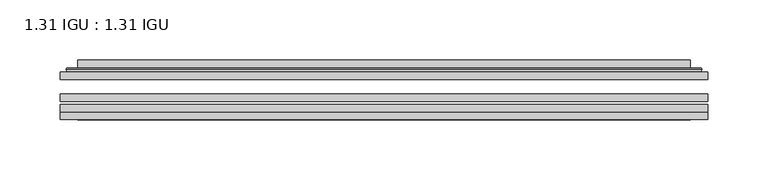
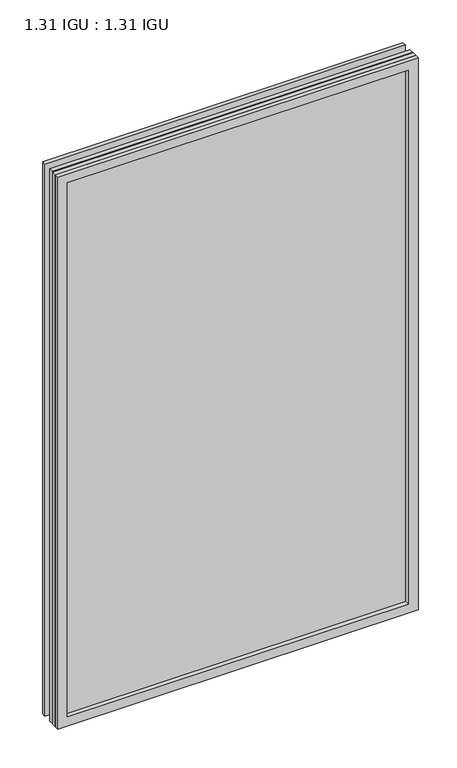
"""IFC4 building model written with IfcOpenShell, lengths in millimetres: plate geometry, 1.31 IGU : 1.31 IGU."""

from ifc_helpers import new_model, si_unit, frame, origin, place, context, project, spatial, polyline, ellipse_curve, outline, extrude, faceted_brep, source, transform, mapped, element, save
from ifc_brep_helpers import plane_surface, cylinder_surface, advanced_brep


def plate_1_31_igu_1_31_igu_472bede1(model_context):
    return source(origin(), model_context, "Body", "SolidModel", [
        extrude(outline(polyline([(268.3778685, -63.2975937), (268.3778685, -69.6475938), (-268.3636935, -69.6475938), (-268.3636935, -63.2975937), (268.3778685, -63.2975937)])), frame((0.0, 0.0, -14.2875), z_axis=(0.0, 0.0, 1.0), x_axis=(1.0, 0.0, 0.0)), (0.0, 0.0, 1.0), 869.9537979),
        extrude(outline(polyline([(-268.3636935, -78.2835938), (-268.3636935, -71.9330887), (268.3778685, -71.9330887), (268.3778685, -78.2835938), (-268.3636935, -78.2835938)])), frame((0.0, 0.0, -14.2875), z_axis=(0.0, 0.0, 1.0), x_axis=(1.0, 0.0, 0.0)), (0.0, 0.0, 1.0), 869.9537979),
        extrude(outline(polyline([(268.3778685, -44.9587937), (268.3778685, -51.3087938), (-268.3636935, -51.3087938), (-268.3636935, -44.9587937), (268.3778685, -44.9587937)])), frame((0.0, 0.0, -14.2875), z_axis=(0.0, 0.0, 1.0), x_axis=(1.0, 0.0, 0.0)), (0.0, 0.0, 1.0), 869.9537979),
        faceted_brep([(-268.3763935, -84.6335937, 855.6752), (-268.3763935, -78.2835937, 855.6752), (-268.3763935, -78.2835937, -14.3002), (-268.3763935, -84.6335937, -14.3002), (268.3763935, -78.2835937, -14.3002), (268.3763935, -84.6335937, -14.3002), (268.3763935, -78.2835937, 855.6752), (268.3763935, -84.6335937, 855.6752), (-253.1784494, -78.2835937, 0.8977441), (253.1784494, -78.2835937, 0.8977441), (253.1784494, -78.2835937, 840.4772559), (-253.1784494, -78.2835937, 840.4772559), (-254.0708837, -84.6335937, 841.3696902), (254.0708837, -84.6335937, 841.3696902), (254.0708837, -84.6335937, 0.0053098), (-254.0708837, -84.6335937, 0.0053098)], [[[0, 1, 2, 3]], [[3, 2, 4, 5]], [[5, 4, 6, 7]], [[1, 6, 4, 2], [8, 9, 10, 11]], [[7, 6, 1, 0]], [[3, 5, 7, 0], [12, 13, 14, 15]], [[11, 12, 15, 8]], [[8, 15, 14, 9]], [[9, 14, 13, 10]], [[10, 13, 12, 11]]]),
        advanced_brep(
        [(-261.1224125, -44.9587937, 848.421219), (-263.4766179, -42.9691271, 850.7754244), (-263.4766179, -42.9691271, -9.4004244), (-261.1224125, -44.9587937, -7.046219), (-252.0480874, -41.1187568, 839.3468939), (-247.1132556, -44.9587937, 834.4120621), (-247.1132556, -44.9587937, 6.9629379), (-252.0480874, -41.1187568, 2.0281061), (-253.0801152, -35.7215256, 840.3789217), (-253.0801152, -35.7215256, 0.9960783), (-254.0707719, -35.3225507, 841.3695784), (-254.0707719, -35.3225507, 0.0054216), (-254.0707719, -41.7837937, 841.3695784), (-254.0707719, -41.7837937, 0.0054216), (-262.4748284, -41.7837937, 849.7736349), (-262.4748284, -41.7837937, -8.3986349), (263.4766179, -42.9691271, -9.4004244), (261.1224125, -44.9587937, -7.046219), (247.1132556, -44.9587937, 6.9629379), (252.0480874, -41.1187568, 2.0281061), (253.0801152, -35.7215256, 0.9960783), (254.0707719, -35.3225507, 0.0054216), (254.0707719, -41.7837937, 0.0054216), (262.4748284, -41.7837937, -8.3986349), (263.4766179, -42.9691271, 850.7754244), (261.1224125, -44.9587937, 848.421219), (247.1132556, -44.9587937, 834.4120621), (252.0480874, -41.1187568, 839.3468939), (253.0801152, -35.7215256, 840.3789217), (254.0707719, -35.3225507, 841.3695784), (254.0707719, -41.7837937, 841.3695784), (262.4748284, -41.7837937, 849.7736349)],
        [
            (0, 1, ellipse_curve(frame((-261.1224125, -42.5711937, 848.421219), z_axis=(-0.7071067811865475, 0.0, -0.7071067811865475), x_axis=(-0.7071067811865474, 0.0, 0.7071067811865476)), 3.3765763, 2.3876)),
            (1, 2),
            (2, 3, ellipse_curve(frame((-261.1224125, -42.5711937, -7.046219), z_axis=(-0.7071067811865475, 0.0, 0.7071067811865475), x_axis=(0.7071067811865474, 0.0, 0.7071067811865476)), 3.3765763, 2.3876)),
            (3, 0),
            (4, 5),
            (5, 6),
            (6, 7),
            (7, 4),
            (8, 4),
            (7, 9),
            (9, 8),
            (10, 8, ellipse_curve(frame((-253.7038154, -35.840786, 841.0026219), z_axis=(-0.7071067811865475, 0.0, -0.7071067811865475), x_axis=(-0.7071067811865474, 0.0, 0.7071067811865476)), 0.8980256, 0.635)),
            (9, 11, ellipse_curve(frame((-253.7038154, -35.840786, 0.3723781), z_axis=(-0.7071067811865475, 0.0, 0.7071067811865475), x_axis=(0.7071067811865474, 0.0, 0.7071067811865476)), 0.8980256, 0.635)),
            (11, 10),
            (12, 10),
            (11, 13),
            (13, 12),
            (1, 14, ellipse_curve(frame((-262.4748284, -42.7997937, 849.7736349), z_axis=(-0.7071067811865475, 0.0, -0.7071067811865475), x_axis=(-0.7071067811865474, 0.0, 0.7071067811865476)), 1.436841, 1.016)),
            (14, 15),
            (15, 2, ellipse_curve(frame((-262.4748284, -42.7997937, -8.3986349), z_axis=(-0.7071067811865475, 0.0, 0.7071067811865475), x_axis=(0.7071067811865474, 0.0, 0.7071067811865476)), 1.436841, 1.016)),
            (2, 16),
            (16, 17, ellipse_curve(frame((261.1224125, -42.5711937, -7.046219), z_axis=(-0.7071067811865475, 0.0, -0.7071067811865475), x_axis=(-0.7071067811865476, 0.0, 0.7071067811865474)), 3.3765763, 2.3876)),
            (17, 3),
            (6, 18),
            (18, 19),
            (19, 7),
            (19, 20),
            (20, 9),
            (20, 21, ellipse_curve(frame((253.7038154, -35.840786, 0.3723781), z_axis=(-0.7071067811865475, 0.0, -0.7071067811865475), x_axis=(-0.7071067811865476, 0.0, 0.7071067811865474)), 0.8980256, 0.635)),
            (21, 11),
            (21, 22),
            (22, 13),
            (15, 23),
            (23, 16, ellipse_curve(frame((262.4748284, -42.7997937, -8.3986349), z_axis=(-0.7071067811865475, 0.0, -0.7071067811865475), x_axis=(-0.7071067811865476, 0.0, 0.7071067811865474)), 1.436841, 1.016)),
            (16, 24),
            (24, 25, ellipse_curve(frame((261.1224125, -42.5711937, 848.421219), z_axis=(0.7071067811865475, 0.0, -0.7071067811865475), x_axis=(-0.7071067811865474, 0.0, -0.7071067811865476)), 3.3765763, 2.3876)),
            (25, 17),
            (18, 26),
            (26, 27),
            (27, 19),
            (27, 28),
            (28, 20),
            (28, 29, ellipse_curve(frame((253.7038154, -35.840786, 841.0026219), z_axis=(0.7071067811865475, 0.0, -0.7071067811865475), x_axis=(-0.7071067811865474, 0.0, -0.7071067811865476)), 0.8980256, 0.635)),
            (29, 21),
            (29, 30),
            (30, 22),
            (23, 31),
            (31, 24, ellipse_curve(frame((262.4748284, -42.7997937, 849.7736349), z_axis=(0.7071067811865475, 0.0, -0.7071067811865475), x_axis=(-0.7071067811865474, 0.0, -0.7071067811865476)), 1.436841, 1.016)),
            (24, 1),
            (0, 25),
            (5, 26),
            (4, 27),
            (8, 28),
            (10, 29),
            (12, 30),
            (14, 31),
        ],
        [
            cylinder_surface(frame((-261.1224125, -42.5711937, 873.125), z_axis=(0.0, 0.0, 1.0), x_axis=(-1.0, 0.0, 0.0)), 2.3876),
            plane_surface(frame((-247.1132556, -44.9587937, 834.4120621), z_axis=(0.6141233906514794, 0.7892100234124821, 0.0), x_axis=(0.0, 0.0, -1.0))),
            plane_surface(frame((-252.0480874, -41.1187568, 839.3468939), z_axis=(0.9822050625507729, 0.1878116479338607, 0.0), x_axis=(0.0, 0.0, -1.0))),
            cylinder_surface(frame((-253.7038154, -35.840786, 873.125), z_axis=(0.0, 0.0, 1.0), x_axis=(-1.0, 0.0, 0.0)), 0.635),
            plane_surface(frame((-254.0707719, -35.3225507, 841.3695784), z_axis=(-1.0, 0.0, 0.0), x_axis=(0.0, 0.0, -1.0))),
            cylinder_surface(frame((-262.4748284, -42.7997937, 873.125), z_axis=(0.0, 0.0, 1.0), x_axis=(-1.0, 0.0, 0.0)), 1.016),
            cylinder_surface(frame((-285.8261935, -42.5711937, -7.046219), z_axis=(-1.0, 0.0, 0.0), x_axis=(0.0, 0.0, -1.0)), 2.3876),
            plane_surface(frame((-247.1132556, -44.9587937, 6.9629379), z_axis=(0.0, 0.7892100234124841, 0.6141233906514768), x_axis=(1.0, 0.0, 0.0))),
            plane_surface(frame((-252.0480874, -41.1187568, 2.0281061), z_axis=(0.0, 0.1878116479338639, 0.9822050625507722), x_axis=(1.0, 0.0, 0.0))),
            cylinder_surface(frame((-285.8261935, -35.840786, 0.3723781), z_axis=(-1.0, 0.0, 0.0), x_axis=(0.0, 0.0, -1.0)), 0.635),
            plane_surface(frame((-254.0707719, -35.3225507, 0.0054216), z_axis=(0.0, 0.0, -1.0), x_axis=(1.0, 0.0, 0.0))),
            cylinder_surface(frame((-285.8261935, -42.7997937, -8.3986349), z_axis=(-1.0, 0.0, 0.0), x_axis=(0.0, 0.0, -1.0)), 1.016),
            cylinder_surface(frame((261.1224125, -42.5711937, -31.75), z_axis=(0.0, 0.0, -1.0), x_axis=(1.0, 0.0, 0.0)), 2.3876),
            plane_surface(frame((247.1132556, -44.9587937, 6.9629379), z_axis=(-0.6141233906514743, 0.7892100234124861, 0.0), x_axis=(0.0, 0.0, 1.0))),
            plane_surface(frame((252.0480874, -41.1187568, 2.0281061), z_axis=(-0.9822050625507716, 0.1878116479338671, 0.0), x_axis=(0.0, 0.0, 1.0))),
            cylinder_surface(frame((253.7038154, -35.840786, -31.75), z_axis=(0.0, 0.0, -1.0), x_axis=(1.0, 0.0, 0.0)), 0.635),
            plane_surface(frame((254.0707719, -35.3225507, 0.0054216), z_axis=(1.0, 0.0, 0.0), x_axis=(0.0, 0.0, 1.0))),
            cylinder_surface(frame((262.4748284, -42.7997937, -31.75), z_axis=(0.0, 0.0, -1.0), x_axis=(1.0, 0.0, 0.0)), 1.016),
            cylinder_surface(frame((285.8261935, -42.5711937, 848.421219), z_axis=(1.0, 0.0, 0.0), x_axis=(0.0, 0.0, 1.0)), 2.3876),
            plane_surface(frame((261.1224125, -44.9587937, 848.421219), z_axis=(0.0, -1.0, 0.0), x_axis=(-1.0, 0.0, 0.0))),
            plane_surface(frame((247.1132556, -44.9587937, 834.4120621), z_axis=(0.0, 0.7892100234124841, -0.6141233906514768), x_axis=(-1.0, 0.0, 0.0))),
            plane_surface(frame((252.0480874, -41.1187568, 839.3468939), z_axis=(0.0, 0.1878116479338639, -0.9822050625507722), x_axis=(-1.0, 0.0, 0.0))),
            cylinder_surface(frame((285.8261935, -35.840786, 841.0026219), z_axis=(1.0, 0.0, 0.0), x_axis=(0.0, 0.0, 1.0)), 0.635),
            plane_surface(frame((254.0707719, -35.3225507, 841.3695784), z_axis=(0.0, 0.0, 1.0), x_axis=(-1.0, 0.0, 0.0))),
            plane_surface(frame((254.0707719, -41.7837937, 841.3695784), z_axis=(0.0, 1.0, 0.0), x_axis=(-1.0, 0.0, 0.0))),
            cylinder_surface(frame((285.8261935, -42.7997937, 849.7736349), z_axis=(1.0, 0.0, 0.0), x_axis=(0.0, 0.0, 1.0)), 1.016),
        ],
        [
            (0, [[1, 2, 3, 4]]),
            (1, [[5, 6, 7, 8]]),
            (2, [[9, -8, 10, 11]]),
            (3, [[12, -11, 13, 14]]),
            (4, [[15, -14, 16, 17]]),
            (5, [[18, 19, 20, -2]]),
            (6, [[-3, 21, 22, 23]]),
            (7, [[-7, 24, 25, 26]]),
            (8, [[-10, -26, 27, 28]]),
            (9, [[-13, -28, 29, 30]]),
            (10, [[-16, -30, 31, 32]]),
            (11, [[-20, 33, 34, -21]]),
            (12, [[-22, 35, 36, 37]]),
            (13, [[-25, 38, 39, 40]]),
            (14, [[-27, -40, 41, 42]]),
            (15, [[-29, -42, 43, 44]]),
            (16, [[-31, -44, 45, 46]]),
            (17, [[-34, 47, 48, -35]]),
            (18, [[-36, 49, -1, 50]]),
            (19, [[-23, -37, -50, -4], [51, -38, -24, -6]]),
            (20, [[-39, -51, -5, 52]]),
            (21, [[-41, -52, -9, 53]]),
            (22, [[-43, -53, -12, 54]]),
            (23, [[-45, -54, -15, 55]]),
            (24, [[56, -47, -33, -19], [-32, -46, -55, -17]]),
            (25, [[-48, -56, -18, -49]]),
        ],
    ),
    ])


if __name__ == "__main__":
    model = new_model("IFC4")
    model_context = context("Model", 3, world=origin())
    ifc_project = project(units=[si_unit("LENGTHUNIT", "METRE", prefix="MILLI")], contexts=[model_context])
    site = spatial("IfcSite", under=ifc_project)
    building = spatial("IfcBuilding", under=site)
    placement = place(None, origin())
    plate_1_31_igu_1_31_igu_shape = plate_1_31_igu_1_31_igu_472bede1(model_context)
    element("IfcPlate", 1, ObjectType="1.31 IGU : 1.31 IGU", at=placement, inside=building, context=model_context, shape_type="MappedRepresentation", body=[
        mapped(plate_1_31_igu_1_31_igu_shape, transform((0.0, 0.0, 0.0), x_axis=(1.0, 0.0, 0.0), y_axis=(0.0, 1.0, 0.0), z_axis=(0.0, 0.0, 1.0))),
    ])
    save(model, "model.ifc")
